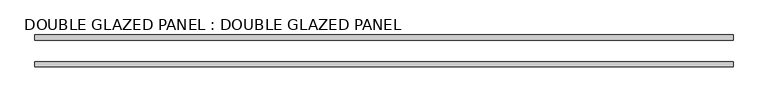
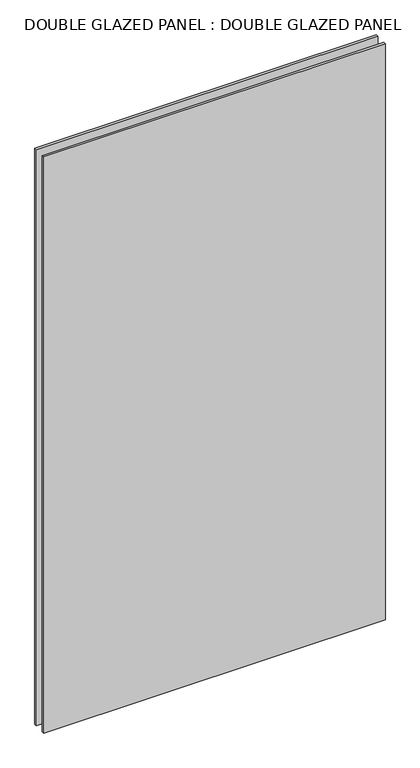
"""IFC4 building model written with IfcOpenShell, lengths in millimetres: plate geometry, DOUBLE GLAZED PANEL : DOUBLE GLAZED PANEL."""

import ifcopenshell
import ifcopenshell.guid

model = None  # the IFC model being written
_history = None  # IfcOwnerHistory: only IFC2X3 demands one
_inside = {}  # id of a spatial element -> (the spatial element, [elements in it])
_under = {}  # id of a project, library or spatial element -> (it, [spatial elements below it])
_declared = {}  # id of a project -> (the project, [libraries it declares])
_typed = {}  # id of a type object -> (the type object, [elements of that type])
_made_of = {}  # id of a material, layer set ... -> (it, [elements and type objects made of it])


def new_model(schema):
    """Start an empty IFC model of exactly this schema.

    Asked for "IFC4X3", IfcOpenShell would pick the latest addendum, in which some entities
    have other attributes; the version numbers below select the first issue.
    IFC2X3 requires an IfcOwnerHistory on every rooted entity: one is made here for all.
    """
    global model, _history
    if schema == "IFC4X3":
        model = ifcopenshell.file(schema_version=(4, 3, 0, 0))
    else:
        model = ifcopenshell.file(schema=schema)
    _inside.clear()
    _under.clear()
    _declared.clear()
    _typed.clear()
    _made_of.clear()
    _history = None
    if model.schema == "IFC2X3":
        org = make("IfcOrganization", Name="unknown")
        user = make(
            "IfcPersonAndOrganization",
            ThePerson=make("IfcPerson", FamilyName="unknown"),
            TheOrganization=org,
        )
        app = make(
            "IfcApplication",
            ApplicationDeveloper=org,
            Version="unknown",
            ApplicationFullName="unknown",
            ApplicationIdentifier="unknown",
        )
        _history = make(
            "IfcOwnerHistory",
            OwningUser=user,
            OwningApplication=app,
            ChangeAction="ADDED",
            CreationDate=0,
        )
    return model


def make(cls, **values):
    """One entity of the class cls with the attributes given. An attribute that is None is left unset."""
    return model.create_entity(
        cls, **{name: value for name, value in values.items() if value is not None}
    )


def rooted(cls, **values):
    """An entity with a GlobalId (a new one), such as an element, a storey or a relation."""
    return make(cls, GlobalId=ifcopenshell.guid.new(), OwnerHistory=_history, **values)


def si_unit(unit_type, name, prefix=None):
    """IfcSIUnit, for example si_unit("LENGTHUNIT", "METRE", prefix="MILLI")."""
    return make("IfcSIUnit", UnitType=unit_type, Prefix=prefix, Name=name)


def assignment(units):
    """IfcUnitAssignment: the units of a project."""
    return None if units is None else make("IfcUnitAssignment", Units=units)


def point(xyz):
    """IfcCartesianPoint."""
    return None if xyz is None else make("IfcCartesianPoint", Coordinates=xyz)


def direction(xyz):
    """IfcDirection."""
    return None if xyz is None else make("IfcDirection", DirectionRatios=xyz)


def frame(location, z_axis=None, x_axis=None):
    """IfcAxis2Placement3D, a coordinate frame: its origin and axes. An axis left out is left unset."""
    return make(
        "IfcAxis2Placement3D",
        Location=point(location),
        Axis=direction(z_axis),
        RefDirection=direction(x_axis),
    )


def origin():
    """The frame at (0, 0, 0) with its axes left unset."""
    return frame((0.0, 0.0, 0.0))


def origin_with_axes():
    """The frame at (0, 0, 0) with the z axis (0, 0, 1) and the x axis (1, 0, 0) written out."""
    return frame((0.0, 0.0, 0.0), z_axis=(0.0, 0.0, 1.0), x_axis=(1.0, 0.0, 0.0))


def place(relative_to, where):
    """IfcLocalPlacement: puts the frame where relative to a parent placement (None: the world)."""
    return make(
        "IfcLocalPlacement", PlacementRelTo=relative_to, RelativePlacement=where
    )


def context(
    kind, dimensions, precision=None, world=None, true_north=None, identifier=None
):
    """IfcGeometricRepresentationContext, for example the 3D "Model" context."""
    return make(
        "IfcGeometricRepresentationContext",
        ContextIdentifier=identifier,
        ContextType=kind,
        CoordinateSpaceDimension=dimensions,
        Precision=precision,
        WorldCoordinateSystem=world,
        TrueNorth=true_north,
    )


def project(units=None, contexts=None):
    """IfcProject with its units and contexts."""
    return rooted(
        "IfcProject",
        Name="project",
        RepresentationContexts=contexts,
        UnitsInContext=assignment(units),
    )


def spatial(cls, under=None, at=None, **own):
    """A site, building, storey or space (cls), placed at a placement, below another one or the project."""
    s = rooted(cls, ObjectPlacement=at, **own)
    if under is not None:
        _under.setdefault(under.id(), (under, []))[1].append(s)
    return s


def polyline(points):
    """IfcPolyline through the points."""
    return make("IfcPolyline", Points=[point(p) for p in points])


def outline(outer, holes=None, kind="AREA"):
    """IfcArbitraryClosedProfileDef: a profile drawn as a closed curve; with holes, ...WithVoids."""
    if holes is None:
        return make("IfcArbitraryClosedProfileDef", ProfileType=kind, OuterCurve=outer)
    return make(
        "IfcArbitraryProfileDefWithVoids",
        ProfileType=kind,
        OuterCurve=outer,
        InnerCurves=holes,
    )


def extrude(swept, where, along, depth):
    """IfcExtrudedAreaSolid: the profile swept, set in the frame where, extruded along a direction by depth."""
    return make(
        "IfcExtrudedAreaSolid",
        SweptArea=swept,
        Position=where,
        ExtrudedDirection=direction(along),
        Depth=depth,
    )


def shape(context_of_items, identifier, shape_type, items):
    """IfcShapeRepresentation: the items that make up one representation, for example the "Body"."""
    return make(
        "IfcShapeRepresentation",
        ContextOfItems=context_of_items,
        RepresentationIdentifier=identifier,
        RepresentationType=shape_type,
        Items=items,
    )


def source(mapping_origin, context_of_items, identifier, shape_type, items):
    """IfcRepresentationMap: a shape defined once, which mapped items show again and again."""
    return make(
        "IfcRepresentationMap",
        MappingOrigin=mapping_origin,
        MappedRepresentation=shape(context_of_items, identifier, shape_type, items),
    )


def transform(
    local_origin,
    x_axis=None,
    y_axis=None,
    z_axis=None,
    scale=None,
    scale2=None,
    scale3=None,
    uniform=True,
):
    """IfcCartesianTransformationOperator3D, or its non-uniform kind. x_axis, y_axis, z_axis: its Axis1, 2, 3."""
    if uniform:
        return make(
            "IfcCartesianTransformationOperator3D",
            Axis1=direction(x_axis),
            Axis2=direction(y_axis),
            LocalOrigin=point(local_origin),
            Scale=scale,
            Axis3=direction(z_axis),
        )
    return make(
        "IfcCartesianTransformationOperator3DnonUniform",
        Axis1=direction(x_axis),
        Axis2=direction(y_axis),
        LocalOrigin=point(local_origin),
        Scale=scale,
        Axis3=direction(z_axis),
        Scale2=scale2,
        Scale3=scale3,
    )


def mapped(mapping_source, mapping_target):
    """IfcMappedItem: shows the shape of a source again, moved by a transform."""
    return make(
        "IfcMappedItem", MappingSource=mapping_source, MappingTarget=mapping_target
    )


def made_of(thing, what):
    """Note that an element or type object is made of a material, layer set ...; save() writes the relation."""
    if what is not None:
        _made_of.setdefault(what.id(), (what, []))[1].append(thing)
    return thing


def element(
    cls,
    number,
    at=None,
    inside=None,
    cuts=None,
    type_object=None,
    material=None,
    context=None,
    identifier="Body",
    shape_type=None,
    held_by="IfcProductDefinitionShape",
    body=None,
    shapes=None,
    **own,
):
    """One element of the class cls, such as IfcWall. Its Tag is "e" and its number.

    at: its placement. inside: the storey or other place that contains it. cuts: it is an
    opening in that element (IfcRelVoidsElement). A single representation is given by context,
    identifier, shape_type and body (its items); several are given by shapes. held_by: the class
    of the entity that holds the representations. save() writes the other relations.
    """
    e = rooted(cls, Tag="e%d" % number, ObjectPlacement=at, **own)
    if body is not None:
        shapes = [shape(context, identifier, shape_type, body)]
    if shapes is not None:
        e.Representation = make(held_by, Representations=shapes)
    if inside is not None:
        _inside.setdefault(inside.id(), (inside, []))[1].append(e)
    if cuts is not None:
        rooted(
            "IfcRelVoidsElement", RelatingBuildingElement=cuts, RelatedOpeningElement=e
        )
    if type_object is not None:
        _typed.setdefault(type_object.id(), (type_object, []))[1].append(e)
    return made_of(e, material)


def aggregate(whole, parts):
    """IfcRelAggregates: a whole, such as a stair, and the parts it consists of."""
    return rooted("IfcRelAggregates", RelatingObject=whole, RelatedObjects=parts)


def save(model, path):
    """Write the relations noted so far, then the file.

    IfcRelAggregates (storeys below a building ...), IfcRelContainedInSpatialStructure (elements
    in a storey), IfcRelDefinesByType, IfcRelAssociatesMaterial and IfcRelDeclares: one each for
    every whole, place, type object, material and project.
    """
    for whole, parts in _under.values():
        aggregate(whole, parts)
    for where, things in _inside.values():
        rooted(
            "IfcRelContainedInSpatialStructure",
            RelatedElements=things,
            RelatingStructure=where,
        )
    for kind, things in _typed.values():
        rooted("IfcRelDefinesByType", RelatedObjects=things, RelatingType=kind)
    for what, things in _made_of.values():
        rooted("IfcRelAssociatesMaterial", RelatedObjects=things, RelatingMaterial=what)
    for by, libraries in _declared.values():
        rooted("IfcRelDeclares", RelatingContext=by, RelatedDefinitions=libraries)
    model.write(path)


def double_glazed_panel_double_glazed_panel_53c8d116(model_context):
    return source(origin(), model_context, "Body", "SweptSolid", [
        extrude(outline(polyline([(833.4375, 6.35), (833.4375, -6.35), (-833.4375, -6.35), (-833.4375, 6.35), (833.4375, 6.35)])), origin_with_axes(), (0.0, 0.0, 1.0), 2971.8),
        extrude(outline(polyline([(833.4375, 69.85), (833.4375, 57.15), (-833.4375, 57.15), (-833.4375, 69.85), (833.4375, 69.85)])), origin_with_axes(), (0.0, 0.0, 1.0), 2971.8),
    ])


if __name__ == "__main__":
    model = new_model("IFC4")
    model_context = context("Model", 3, world=origin())
    ifc_project = project(units=[si_unit("LENGTHUNIT", "METRE", prefix="MILLI")], contexts=[model_context])
    site = spatial("IfcSite", under=ifc_project)
    building = spatial("IfcBuilding", under=site)
    placement = place(None, origin())
    double_glazed_panel_double_glazed_panel_shape = double_glazed_panel_double_glazed_panel_53c8d116(model_context)
    element("IfcPlate", 1, ObjectType="DOUBLE GLAZED PANEL : DOUBLE GLAZED PANEL", at=placement, inside=building, context=model_context, shape_type="MappedRepresentation", body=[
        mapped(double_glazed_panel_double_glazed_panel_shape, transform((0.0, 0.0, 0.0), x_axis=(1.0, 0.0, 0.0), y_axis=(0.0, 1.0, 0.0), z_axis=(0.0, 0.0, 1.0))),
    ])
    save(model, "model.ifc")
